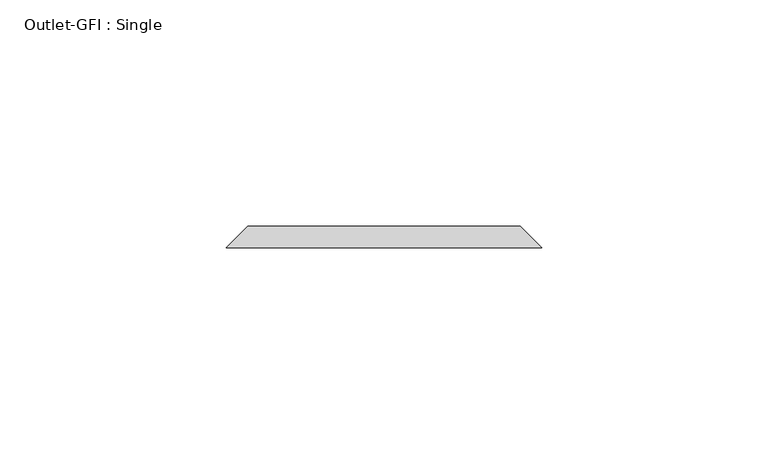
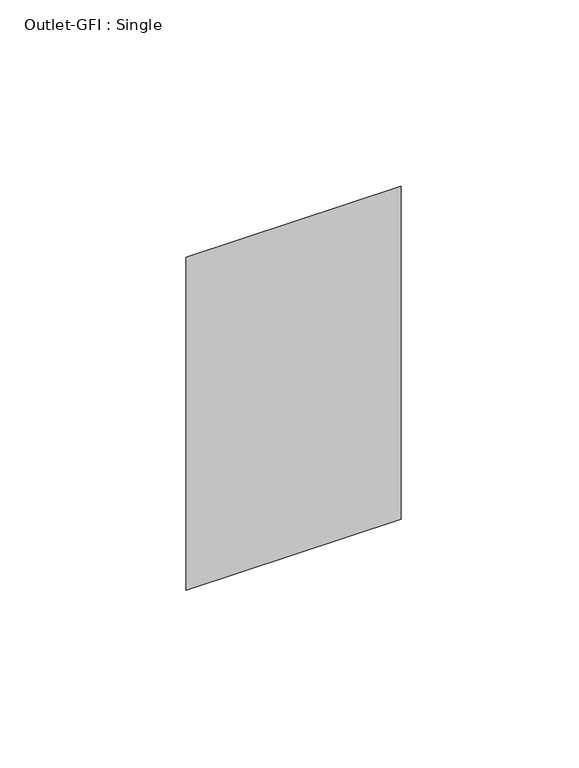
"""IFC4 building model written with IfcOpenShell, lengths in millimetres: proxy geometry, Outlet-GFI : Single."""

from ifc_helpers import new_model, si_unit, origin, place, context, project, spatial, faceted_brep, source, transform, mapped, element, save


def outlet_gfi_single_7a9feb74(model_context):
    return source(origin(), model_context, "Body", "Brep", [
        faceted_brep([(-30.1625, 65.0875, 1271.5875), (30.1625, 65.0875, 1271.5875), (30.1625, 65.0875, 1166.8125), (-30.1625, 65.0875, 1166.8125), (-34.925, 60.325, 1276.35), (-34.925, 60.325, 1162.05), (34.925, 60.325, 1162.05), (34.925, 60.325, 1276.35)], [[[0, 1, 2, 3]], [[4, 5, 6, 7]], [[4, 7, 1, 0]], [[7, 6, 2, 1]], [[6, 5, 3, 2]], [[5, 4, 0, 3]]]),
    ])


if __name__ == "__main__":
    model = new_model("IFC4")
    model_context = context("Model", 3, world=origin())
    ifc_project = project(units=[si_unit("LENGTHUNIT", "METRE", prefix="MILLI")], contexts=[model_context])
    site = spatial("IfcSite", under=ifc_project)
    building = spatial("IfcBuilding", under=site)
    placement = place(None, origin())
    outlet_gfi_single_shape = outlet_gfi_single_7a9feb74(model_context)
    element("IfcBuildingElementProxy", 1, Name="Outlet-GFI : Single", ObjectType="Outlet-GFI : Single", at=placement, inside=building, context=model_context, shape_type="MappedRepresentation", body=[
        mapped(outlet_gfi_single_shape, transform((0.0, 0.0, 0.0), x_axis=(1.0, 0.0, 0.0), y_axis=(0.0, 1.0, 0.0), z_axis=(0.0, 0.0, 1.0))),
    ])
    save(model, "model.ifc")
